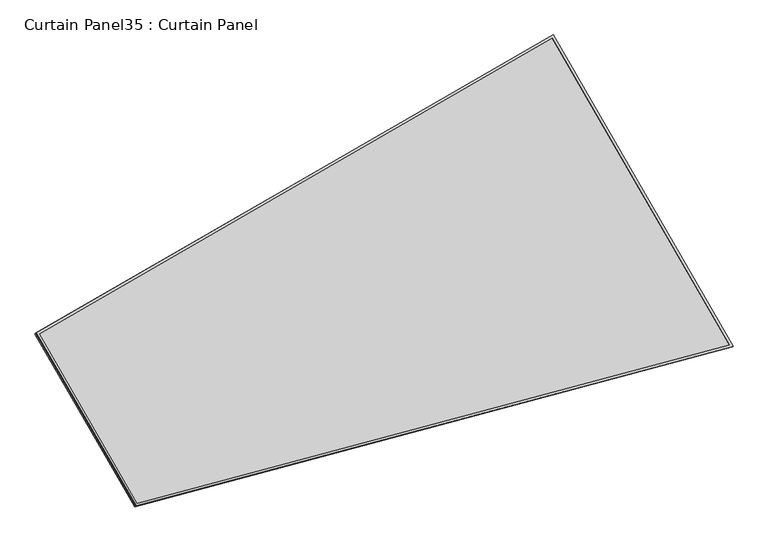
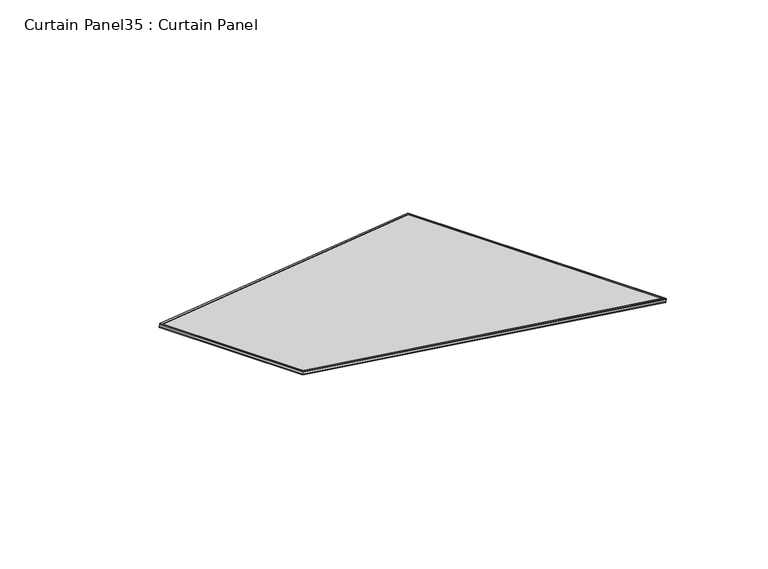
"""IFC4 building model written with IfcOpenShell, lengths in millimetres: plate geometry, Curtain Panel35 : Curtain Panel."""

from ifc_helpers import new_model, si_unit, frame, origin, place, context, project, spatial, polyline, outline, extrude, source, transform, mapped, element, save


def curtain_panel35_curtain_panel_a9ca0de6(model_context):
    return source(origin(), model_context, "Body", "SweptSolid", [
        extrude(outline(polyline([(903.3982324, -2842.276264), (0.0, -2842.276264), (0.0, 0.0), (1625.9225982, 0.0), (903.3982324, -2842.276264)]), holes=[polyline([(1611.6318022, -11.1125), (11.1125, -11.1125), (11.1125001, -2831.163764), (894.7571702, -2831.163764), (1611.6318022, -11.1125)])]), frame((20846.0082075, 5270.2850051, -9.1470976), z_axis=(0.27379031486167577, 0.15807291198689785, 0.9487106081329159), x_axis=(0.4999999999999923, -0.8660254037844431, 0.0)), (0.0, 0.0, 1.0), 4.8362235),
        extrude(outline(polyline([(903.3982323, -2842.2762639), (0.0, -2842.2762639), (0.0, 0.0), (1625.9225981, 1e-07), (903.3982323, -2842.2762639)]), holes=[polyline([(1611.6318021, -11.1124999), (11.1125, -11.1125), (11.1125, -2831.1637639), (894.7571701, -2831.1637639), (1611.6318021, -11.1124999)])]), frame((20841.1805751, 5267.4977702, -25.8753228), z_axis=(0.2737903148616948, 0.15807291198690782, 0.9487106081329088), x_axis=(0.4999999999999907, -0.866025403784444, 0.0)), (0.0, 0.0, 1.0), 4.7848467),
        extrude(outline(polyline([(-596.6683727, 0.0), (1029.2542254, 0.0), (306.7298596, -2842.276264), (-596.6683727, -2842.2762641), (-596.6683727, 0.0)])), frame((21140.8248062, 4751.5241565, -21.3358881), z_axis=(0.27379031486168015, 0.15807291198690002, 0.9487106081329143), x_axis=(0.49999999999999173, -0.8660254037844435, 0.0)), (0.0, 0.0, 1.0), 12.8477434),
    ])


if __name__ == "__main__":
    model = new_model("IFC4")
    model_context = context("Model", 3, world=origin())
    ifc_project = project(units=[si_unit("LENGTHUNIT", "METRE", prefix="MILLI")], contexts=[model_context])
    site = spatial("IfcSite", under=ifc_project)
    building = spatial("IfcBuilding", under=site)
    placement = place(None, origin())
    curtain_panel35_curtain_panel_shape = curtain_panel35_curtain_panel_a9ca0de6(model_context)
    element("IfcPlate", 1, ObjectType="Curtain Panel35 : Curtain Panel", at=placement, inside=building, context=model_context, shape_type="MappedRepresentation", body=[
        mapped(curtain_panel35_curtain_panel_shape, transform((0.0, 0.0, 0.0), x_axis=(1.0, 0.0, 0.0), y_axis=(0.0, 1.0, 0.0), z_axis=(0.0, 0.0, 1.0))),
    ])
    save(model, "model.ifc")
